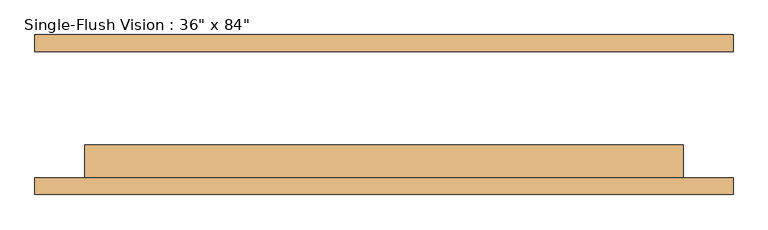
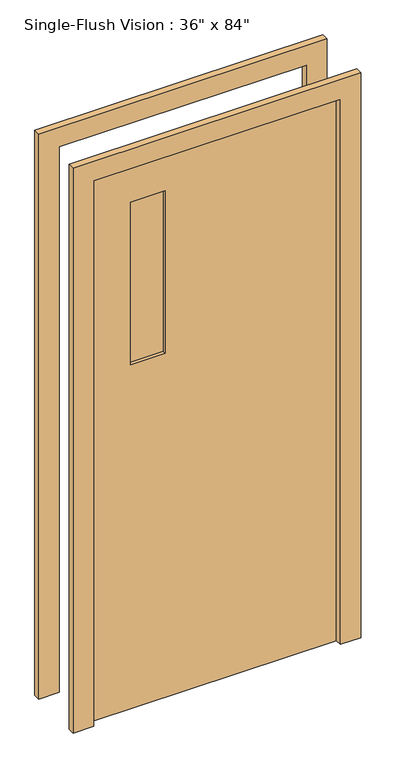
"""IFC4 building model written with IfcOpenShell, lengths in millimetres: door geometry."""

from ifc_helpers import new_model, si_unit, frame, origin, place, context, project, spatial, polyline, outline, extrude, source, transform, mapped, element, save


def door_2c20b9f2(model_context):
    return source(origin(), model_context, "Body", "SweptSolid", [
        extrude(outline(polyline([(2209.8, -533.4), (0.0, -533.4), (0.0, -457.2), (2133.6, -457.2), (2133.6, 457.2), (0.0, 457.2), (0.0, 533.4), (2209.8, 533.4), (2209.8, -533.4)])), frame((0.0, -122.2375, 0.0), z_axis=(0.0, 1.0, 0.0), x_axis=(0.0, 0.0, 1.0)), (0.0, 0.0, 1.0), 25.4),
        extrude(outline(polyline([(2133.6, 457.2), (0.0, 457.2), (0.0, 533.4), (2209.8, 533.4), (2209.8, -533.4), (0.0, -533.4), (0.0, -457.2), (2133.6, -457.2), (2133.6, 457.2)])), frame((0.0, 96.8375, 0.0), z_axis=(0.0, 1.0, 0.0), x_axis=(0.0, 0.0, 1.0)), (0.0, 0.0, 1.0), 25.4),
        extrude(outline(polyline([(-177.8, -58.7375), (-177.8, -65.0875), (-304.8, -65.0875), (-304.8, -58.7375), (-177.8, -58.7375)])), frame((0.0, 0.0, 1346.2), z_axis=(0.0, 0.0, 1.0), x_axis=(1.0, 0.0, 0.0)), (0.0, 0.0, 1.0), 635.0),
        extrude(outline(polyline([(-177.8, -77.7875), (-177.8, -84.1375), (-304.8, -84.1375), (-304.8, -77.7875), (-177.8, -77.7875)])), frame((0.0, 0.0, 1346.2), z_axis=(0.0, 0.0, 1.0), x_axis=(1.0, 0.0, 0.0)), (0.0, 0.0, 1.0), 635.0),
        extrude(outline(polyline([(2133.6, -457.2), (0.0, -457.2), (0.0, 457.2), (2133.6, 457.2), (2133.6, -457.2)]), holes=[polyline([(1981.2, -304.8), (1981.2, -177.8), (1346.2, -177.8), (1346.2, -304.8), (1981.2, -304.8)])]), frame((0.0, -96.8375, 0.0), z_axis=(0.0, 1.0, 0.0), x_axis=(0.0, 0.0, 1.0)), (0.0, 0.0, 1.0), 50.8),
    ])


if __name__ == "__main__":
    model = new_model("IFC4")
    model_context = context("Model", 3, world=origin())
    ifc_project = project(units=[si_unit("LENGTHUNIT", "METRE", prefix="MILLI")], contexts=[model_context])
    site = spatial("IfcSite", under=ifc_project)
    building = spatial("IfcBuilding", under=site)
    placement = place(None, origin())
    door_shape = door_2c20b9f2(model_context)
    element("IfcDoor", 1, ObjectType="Single-Flush Vision : 36\" x 84\"", at=placement, inside=building, context=model_context, shape_type="MappedRepresentation", body=[
        mapped(door_shape, transform((0.0, 0.0, 0.0), x_axis=(1.0, 0.0, 0.0), y_axis=(0.0, 1.0, 0.0), z_axis=(0.0, 0.0, 1.0))),
    ])
    save(model, "model.ifc")
